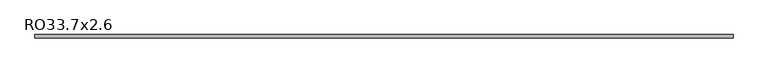
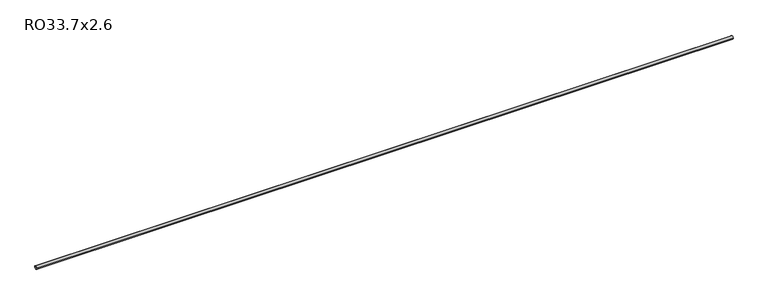
"""IFC4 building model written with IfcOpenShell, lengths in millimetres: beam geometry, RO33.7x2.6."""

from ifc_helpers import new_model, si_unit, point, frame, origin, origin_2d, place, context, project, spatial, circle_curve, trimmed, segment, composite_curve, outline, extrude, source, transform, mapped, element, save


def ro33_7x2_6_7a2ec8bf(model_context):
    return source(origin(), model_context, "Body", "SweptSolid", [
        extrude(outline(composite_curve([segment(trimmed(circle_curve(origin_2d(), 16.85), [point((16.85, 0.0))], [point((-16.85, 0.0))], False, "CARTESIAN"), True, "CONTINUOUS"), segment(trimmed(circle_curve(origin_2d(), 16.85), [point((-16.85, 0.0))], [point((16.85, 0.0))], False, "CARTESIAN"), True, "CONTINUOUS")], self_intersect=False), holes=[composite_curve([segment(trimmed(circle_curve(origin_2d(), 14.25), [point((-14.25, 0.0))], [point((14.25, 0.0))], True, "CARTESIAN"), True, "CONTINUOUS"), segment(trimmed(circle_curve(origin_2d(), 14.25), [point((14.25, 0.0))], [point((-14.25, 0.0))], True, "CARTESIAN"), True, "CONTINUOUS")], self_intersect=False)]), frame((-3659.1, 0.0, 0.0), z_axis=(1.0, 0.0, 0.0), x_axis=(0.0, 1.0, 0.0)), (0.0, 0.0, 1.0), 7349.1),
    ])


if __name__ == "__main__":
    model = new_model("IFC4")
    model_context = context("Model", 3, world=origin())
    ifc_project = project(units=[si_unit("LENGTHUNIT", "METRE", prefix="MILLI")], contexts=[model_context])
    site = spatial("IfcSite", under=ifc_project)
    building = spatial("IfcBuilding", under=site)
    placement = place(None, origin())
    ro33_7x2_6_shape = ro33_7x2_6_7a2ec8bf(model_context)
    element("IfcBeam", 1, ObjectType="RO33.7x2.6", at=placement, inside=building, context=model_context, shape_type="MappedRepresentation", body=[
        mapped(ro33_7x2_6_shape, transform((0.0, 0.0, 0.0), x_axis=(1.0, 0.0, 0.0), y_axis=(0.0, 1.0, 0.0), z_axis=(0.0, 0.0, 1.0))),
    ])
    save(model, "model.ifc")
